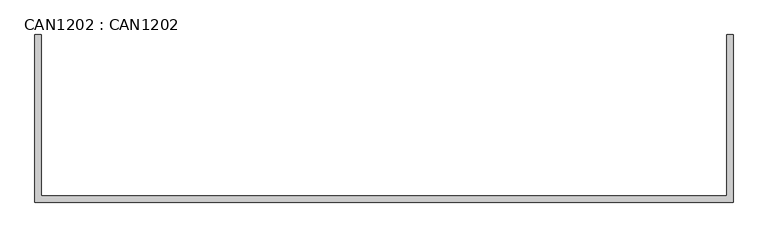
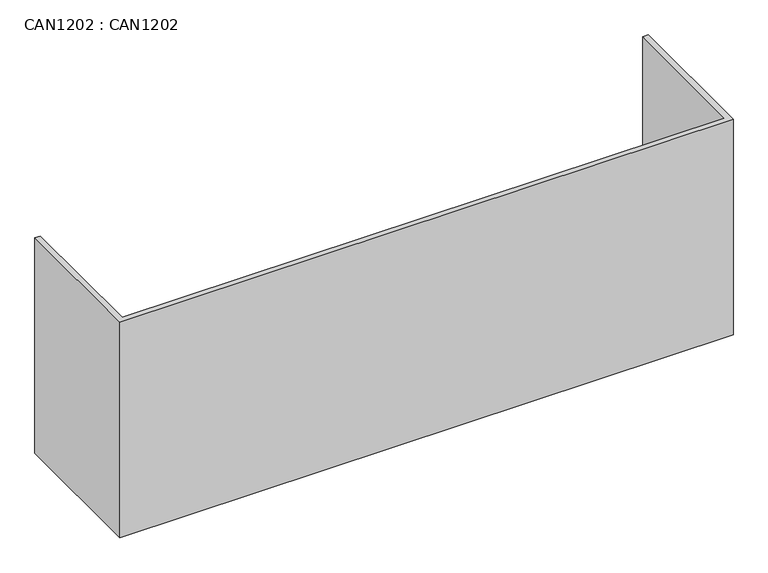
"""IFC4 building model written with IfcOpenShell, lengths in millimetres: proxy geometry, CAN1202 : CAN1202."""

from ifc_helpers import new_model, si_unit, origin, origin_with_axes, place, context, project, spatial, polyline, outline, extrude, source, transform, mapped, element, save


def can1202_can1202_999154e6(model_context):
    return source(origin(), model_context, "Body", "SweptSolid", [
        extrude(outline(polyline([(9.0, 0.0), (9.0, -467.0), (1993.0, -467.0), (1993.0, 0.0), (2011.0, 0.0), (2011.0, -485.0), (-9.0, -485.0), (-9.0, 0.0), (9.0, 0.0)])), origin_with_axes(), (0.0, 0.0, 1.0), 750.0),
    ])


if __name__ == "__main__":
    model = new_model("IFC4")
    model_context = context("Model", 3, world=origin())
    ifc_project = project(units=[si_unit("LENGTHUNIT", "METRE", prefix="MILLI")], contexts=[model_context])
    site = spatial("IfcSite", under=ifc_project)
    building = spatial("IfcBuilding", under=site)
    placement = place(None, origin())
    can1202_can1202_shape = can1202_can1202_999154e6(model_context)
    element("IfcBuildingElementProxy", 1, Name="CAN1202 : CAN1202", ObjectType="CAN1202 : CAN1202", at=placement, inside=building, context=model_context, shape_type="MappedRepresentation", body=[
        mapped(can1202_can1202_shape, transform((0.0, 0.0, 0.0), x_axis=(1.0, 0.0, 0.0), y_axis=(0.0, 1.0, 0.0), z_axis=(0.0, 0.0, 1.0))),
    ])
    save(model, "model.ifc")
